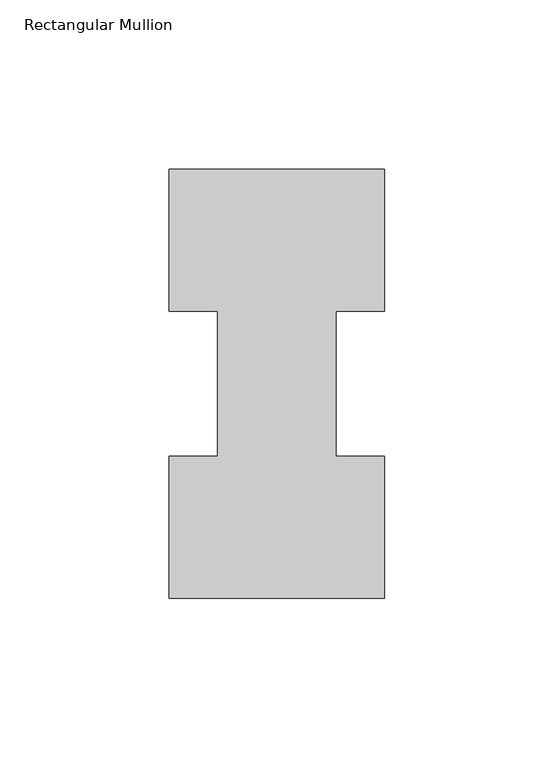
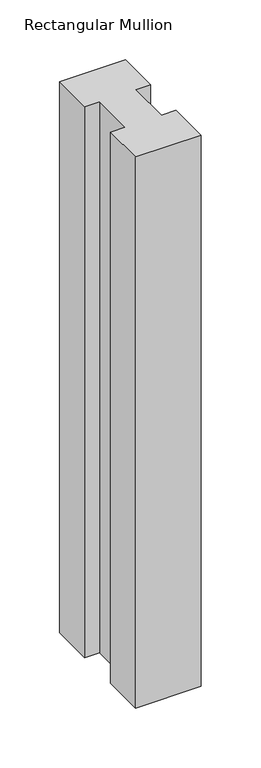
"""IFC4 building model written with IfcOpenShell, lengths in millimetres: member geometry, Rectangular Mullion."""

from ifc_helpers import new_model, si_unit, frame, origin, place, context, project, spatial, polyline, outline, extrude, source, transform, mapped, element, save


def rectangular_mullion_bc53a8c5(model_context):
    return source(origin(), model_context, "Body", "SweptSolid", [
        extrude(outline(polyline([(-63.5, -0.0373063), (-63.5, 41.7837937), (-49.2125, 41.7837937), (-49.2125, 84.6335938), (-63.5, 84.6335938), (-63.5, 126.4546937), (0.0, 126.4546937), (0.0, 84.6335938), (-14.2748, 84.6335938), (-14.2748, 41.7837937), (0.0, 41.7837937), (0.0, -0.0373063), (-63.5, -0.0373063)])), frame((0.0, 0.0, -561.9813826), z_axis=(0.0, 0.0, 1.0), x_axis=(1.0, 0.0, 0.0)), (0.0, 0.0, 1.0), 561.9813826),
    ])


if __name__ == "__main__":
    model = new_model("IFC4")
    model_context = context("Model", 3, world=origin())
    ifc_project = project(units=[si_unit("LENGTHUNIT", "METRE", prefix="MILLI")], contexts=[model_context])
    site = spatial("IfcSite", under=ifc_project)
    building = spatial("IfcBuilding", under=site)
    placement = place(None, origin())
    rectangular_mullion_shape = rectangular_mullion_bc53a8c5(model_context)
    element("IfcMember", 1, ObjectType="Rectangular Mullion", at=placement, inside=building, context=model_context, shape_type="MappedRepresentation", body=[
        mapped(rectangular_mullion_shape, transform((0.0, 0.0, 0.0), x_axis=(1.0, 0.0, 0.0), y_axis=(0.0, 1.0, 0.0), z_axis=(0.0, 0.0, 1.0))),
    ])
    save(model, "model.ifc")
